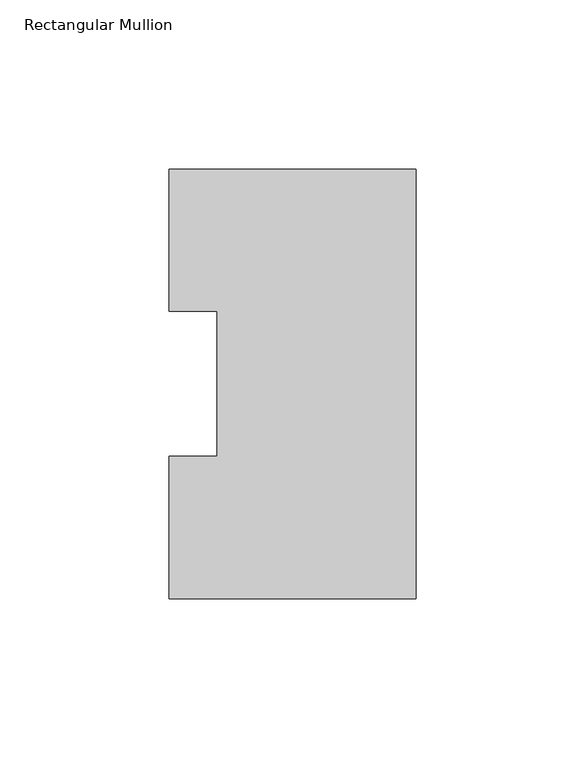
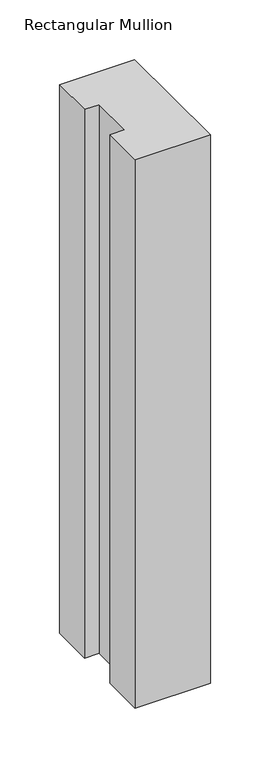
"""IFC4 building model written with IfcOpenShell, lengths in millimetres: member geometry, Rectangular Mullion."""

from ifc_helpers import new_model, si_unit, frame, origin, place, context, project, spatial, polyline, outline, extrude, source, transform, mapped, element, save


def rectangular_mullion_52b5bdfd(model_context):
    return source(origin(), model_context, "Body", "SweptSolid", [
        extrude(outline(polyline([(0.0, 127.00635), (0.0, 0.00635), (-73.025, 0.00635), (-73.025, 42.08145), (-58.7375, 42.08145), (-58.7375, 84.93125), (-73.025, 84.93125), (-73.025, 127.00635), (0.0, 127.00635)])), frame((0.0, 0.0, -561.9813827), z_axis=(0.0, 0.0, 1.0), x_axis=(1.0, 0.0, 0.0)), (0.0, 0.0, 1.0), 561.9813827),
    ])


if __name__ == "__main__":
    model = new_model("IFC4")
    model_context = context("Model", 3, world=origin())
    ifc_project = project(units=[si_unit("LENGTHUNIT", "METRE", prefix="MILLI")], contexts=[model_context])
    site = spatial("IfcSite", under=ifc_project)
    building = spatial("IfcBuilding", under=site)
    placement = place(None, origin())
    rectangular_mullion_shape = rectangular_mullion_52b5bdfd(model_context)
    element("IfcMember", 1, ObjectType="Rectangular Mullion", at=placement, inside=building, context=model_context, shape_type="MappedRepresentation", body=[
        mapped(rectangular_mullion_shape, transform((0.0, 0.0, 0.0), x_axis=(1.0, 0.0, 0.0), y_axis=(0.0, 1.0, 0.0), z_axis=(0.0, 0.0, 1.0))),
    ])
    save(model, "model.ifc")
